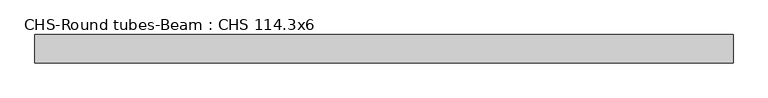
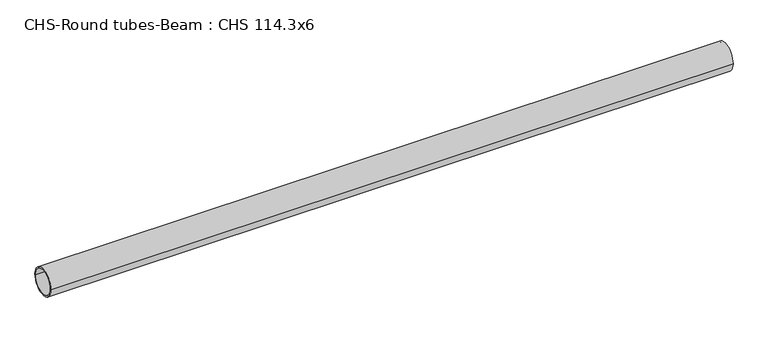
"""IFC4 building model written with IfcOpenShell, lengths in millimetres: beam geometry, CHS-Round tubes-Beam : CHS 114.3x6."""

from ifc_helpers import new_model, si_unit, point, frame, origin, origin_2d, place, context, project, spatial, circle_curve, trimmed, segment, composite_curve, outline, extrude, source, transform, mapped, element, save


def chs_round_tubes_beam_chs_114_3x6_d7f864af(model_context):
    return source(origin(), model_context, "Body", "SweptSolid", [
        extrude(outline(composite_curve([segment(trimmed(circle_curve(origin_2d(), 57.15), [point((57.15, 0.0))], [point((-57.15, 0.0))], False, "CARTESIAN"), True, "CONTINUOUS"), segment(trimmed(circle_curve(origin_2d(), 57.15), [point((-57.15, 0.0))], [point((57.15, 0.0))], False, "CARTESIAN"), True, "CONTINUOUS")], self_intersect=False), holes=[composite_curve([segment(trimmed(circle_curve(origin_2d(), 51.15), [point((51.15, 0.0))], [point((-51.15, 0.0))], True, "CARTESIAN"), True, "CONTINUOUS"), segment(trimmed(circle_curve(origin_2d(), 51.15), [point((-51.15, 0.0))], [point((51.15, 0.0))], True, "CARTESIAN"), True, "CONTINUOUS")], self_intersect=False)]), frame((-1401.1571581, 0.0, 0.0), z_axis=(1.0, 0.0, 0.0), x_axis=(0.0, 1.0, 0.0)), (0.0, 0.0, 1.0), 2828.1283756),
    ])


if __name__ == "__main__":
    model = new_model("IFC4")
    model_context = context("Model", 3, world=origin())
    ifc_project = project(units=[si_unit("LENGTHUNIT", "METRE", prefix="MILLI")], contexts=[model_context])
    site = spatial("IfcSite", under=ifc_project)
    building = spatial("IfcBuilding", under=site)
    placement = place(None, origin())
    chs_round_tubes_beam_chs_114_3x6_shape = chs_round_tubes_beam_chs_114_3x6_d7f864af(model_context)
    element("IfcBeam", 1, ObjectType="CHS-Round tubes-Beam : CHS 114.3x6", at=placement, inside=building, context=model_context, shape_type="MappedRepresentation", body=[
        mapped(chs_round_tubes_beam_chs_114_3x6_shape, transform((0.0, 0.0, 0.0), x_axis=(1.0, 0.0, 0.0), y_axis=(0.0, 1.0, 0.0), z_axis=(0.0, 0.0, 1.0))),
    ])
    save(model, "model.ifc")
